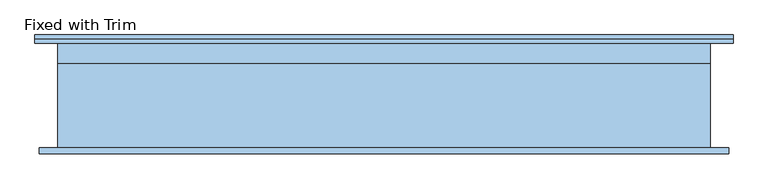
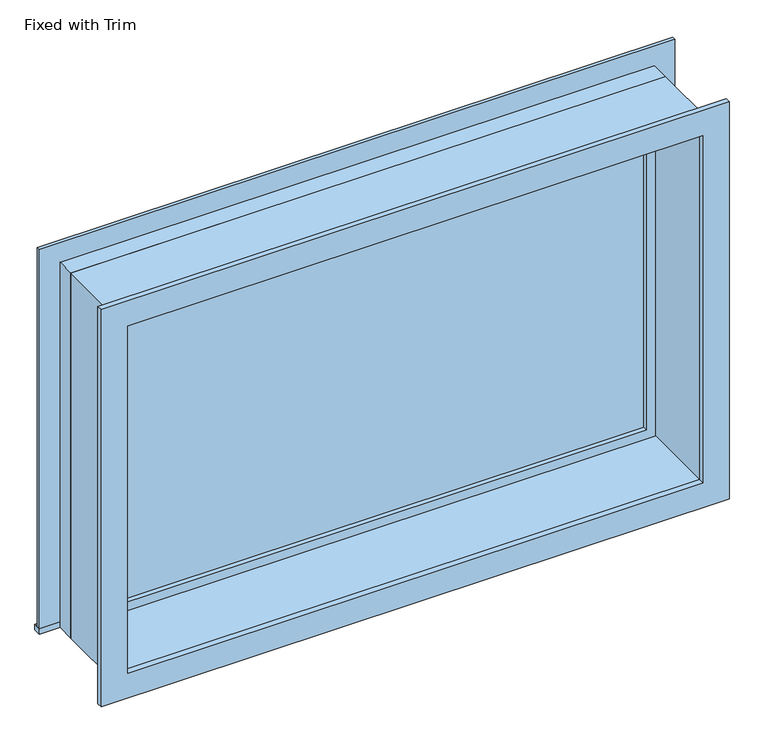
"""IFC4 building model written with IfcOpenShell, lengths in millimetres: window geometry, Fixed with Trim."""

from ifc_helpers import new_model, si_unit, frame, origin, place, context, project, spatial, polyline, outline, extrude, source, transform, mapped, element, save


def fixed_with_trim_43f5f011(model_context):
    return source(origin(), model_context, "Body", "SweptSolid", [
        extrude(outline(polyline([(-1107.95, 185.4), (1031.75, 185.4), (1031.75, 160.0), (-1107.95, 160.0), (-1107.95, 185.4)])), frame((0.0, 0.0, 914.4), z_axis=(0.0, 0.0, 1.0), x_axis=(1.0, 0.0, 0.0)), (0.0, 0.0, 1.0), 19.05),
        extrude(outline(polyline([(2195.35, -1019.05), (2195.35, 942.85), (933.45, 942.85), (933.45, 1031.75), (2284.25, 1031.75), (2284.25, -1107.95), (933.45, -1107.95), (933.45, -1019.05), (2195.35, -1019.05)])), frame((0.0, 160.0, 0.0), z_axis=(0.0, 1.0, 0.0), x_axis=(0.0, 0.0, 1.0)), (0.0, 0.0, 1.0), 12.7),
        extrude(outline(polyline([(2271.55, 1019.05), (2271.55, -1095.25), (857.25, -1095.25), (857.25, 1019.05), (2271.55, 1019.05)]), holes=[polyline([(2182.65, 930.15), (946.15, 930.15), (946.15, -1006.35), (2182.65, -1006.35), (2182.65, 930.15)])]), frame((0.0, -179.05, 0.0), z_axis=(0.0, 1.0, 0.0), x_axis=(0.0, 0.0, 1.0)), (0.0, 0.0, 1.0), 19.05),
        extrude(outline(polyline([(898.4, 112.375), (-974.6, 112.375), (-974.6, 125.075), (898.4, 125.075), (898.4, 112.375)])), frame((0.0, 0.0, 977.9), z_axis=(0.0, 0.0, 1.0), x_axis=(1.0, 0.0, 0.0)), (0.0, 0.0, 1.0), 1173.0),
        extrude(outline(polyline([(2195.35, -1019.05), (933.45, -1019.05), (933.45, 942.85), (2195.35, 942.85), (2195.35, -1019.05)]), holes=[polyline([(2150.9, -974.6), (2150.9, 898.4), (977.9, 898.4), (977.9, -974.6), (2150.9, -974.6)])]), frame((0.0, 96.5, 0.0), z_axis=(0.0, 1.0, 0.0), x_axis=(0.0, 0.0, 1.0)), (0.0, 0.0, 1.0), 44.45),
        extrude(outline(polyline([(2214.4, -1038.1), (914.4, -1038.1), (914.4, 961.9), (2214.4, 961.9), (2214.4, -1038.1)]), holes=[polyline([(2182.65, -1006.35), (2182.65, 930.15), (946.15, 930.15), (946.15, -1006.35), (2182.65, -1006.35)])]), frame((0.0, -160.0, 0.0), z_axis=(0.0, 1.0, 0.0), x_axis=(0.0, 0.0, 1.0)), (0.0, 0.0, 1.0), 256.5),
        extrude(outline(polyline([(2214.4, 961.9), (2214.4, -1038.1), (914.4, -1038.1), (914.4, 961.9), (2214.4, 961.9)]), holes=[polyline([(2195.35, 942.85), (933.45, 942.85), (933.45, -1019.05), (2195.35, -1019.05), (2195.35, 942.85)])]), frame((0.0, 96.5, 0.0), z_axis=(0.0, 1.0, 0.0), x_axis=(0.0, 0.0, 1.0)), (0.0, 0.0, 1.0), 63.5),
    ])


if __name__ == "__main__":
    model = new_model("IFC4")
    model_context = context("Model", 3, world=origin())
    ifc_project = project(units=[si_unit("LENGTHUNIT", "METRE", prefix="MILLI")], contexts=[model_context])
    site = spatial("IfcSite", under=ifc_project)
    building = spatial("IfcBuilding", under=site)
    placement = place(None, origin())
    fixed_with_trim_shape = fixed_with_trim_43f5f011(model_context)
    element("IfcWindow", 1, ObjectType="Fixed with Trim", at=placement, inside=building, context=model_context, shape_type="MappedRepresentation", body=[
        mapped(fixed_with_trim_shape, transform((0.0, 0.0, 0.0), x_axis=(1.0, 0.0, 0.0), y_axis=(0.0, 1.0, 0.0), z_axis=(0.0, 0.0, 1.0))),
    ])
    save(model, "model.ifc")
